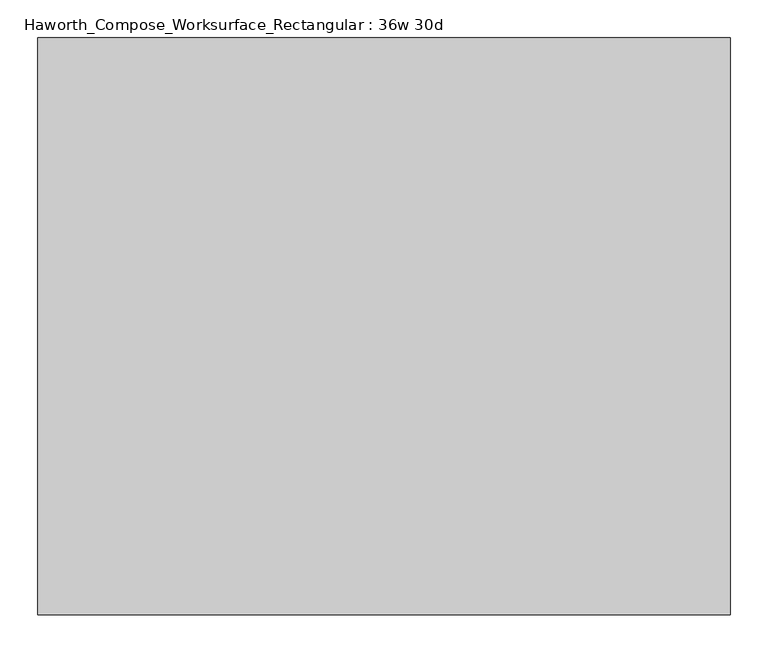
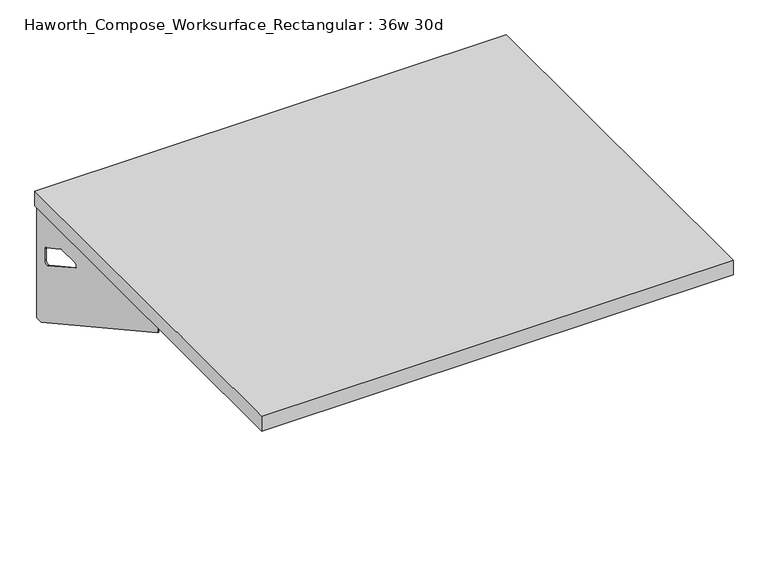
"""IFC4 building model written with IfcOpenShell, lengths in millimetres: furniture geometry, Haworth_Compose_Worksurface_Rectangular : 36w 30d."""

from ifc_helpers import new_model, si_unit, frame, origin, place, context, project, spatial, polyline, circle_curve, outline, extrude, source, transform, mapped, element, save
from ifc_brep_helpers import plane_surface, revolved_surface, advanced_brep


def haworth_compose_worksurface_rectangular_36w_30d_c0b6aa6a(model_context):
    return source(origin(), model_context, "Body", "SolidModel", [
        advanced_brep(
        [(451.64375, 381.0, 475.45625), (451.64375, 365.125, 475.45625), (451.64375, -25.4, 691.7192568), (451.64375, -25.4, 704.05625), (451.64375, 365.125, 704.05625), (451.64375, 381.0, 704.05625), (451.64375, 297.690072, 665.95625), (451.64375, 254.0355284, 665.95625), (451.64375, 251.3564235, 656.3705539), (451.64375, 343.0776173, 605.5776439), (451.64375, 352.425, 611.1756969), (451.64375, 352.425, 634.6860246), (451.64375, 350.6730055, 637.5242776), (451.64375, 300.7663437, 665.1613425), (454.025, 381.0, 475.45625), (454.025, 381.0, 704.05625), (454.025, 365.125, 704.05625), (454.025, 365.125, 706.4375), (454.025, -25.4, 706.4375), (454.025, -25.4, 691.7192568), (454.025, 365.125, 475.45625), (454.025, 297.690072, 665.95625), (454.025, 300.7663437, 665.1613425), (454.025, 350.6730055, 637.5242776), (454.025, 352.425, 634.6860246), (454.025, 352.425, 611.1756969), (454.025, 343.0776173, 605.5776439), (454.025, 251.3564235, 656.3705539), (454.025, 254.0355284, 665.95625), (412.75, -25.4, 706.4375), (412.75, -25.4, 704.05625), (412.75, 365.125, 704.05625), (412.75, 365.125, 706.4375)],
        [
            (0, 1),
            (1, 2),
            (2, 3),
            (3, 4),
            (4, 5),
            (5, 0),
            (6, 7),
            (7, 8, circle_curve(frame((451.64375, 254.0355284, 660.7890106), z_axis=(1.0, 0.0, 0.0), x_axis=(0.0, -1.0, 0.0)), 5.1672394)),
            (8, 9),
            (9, 10, circle_curve(frame((451.64375, 346.075, 611.1756969), z_axis=(1.0, 0.0, 0.0), x_axis=(0.0, -1.0, 0.0)), 6.35)),
            (10, 11),
            (11, 12, circle_curve(frame((451.64375, 349.25, 634.6860246), z_axis=(1.0, 0.0, 0.0), x_axis=(0.0, -1.0, 0.0)), 3.175)),
            (12, 13),
            (13, 6, circle_curve(frame((451.64375, 297.690072, 659.60625), z_axis=(1.0, 0.0, 0.0), x_axis=(0.0, -1.0, 0.0)), 6.35)),
            (14, 15),
            (15, 16),
            (16, 17),
            (17, 18),
            (18, 19),
            (19, 20),
            (20, 14),
            (21, 22, circle_curve(frame((454.025, 297.690072, 659.60625), z_axis=(-1.0, 0.0, 0.0), x_axis=(0.0, -1.0, 0.0)), 6.35)),
            (22, 23),
            (23, 24, circle_curve(frame((454.025, 349.25, 634.6860246), z_axis=(-1.0, 0.0, 0.0), x_axis=(0.0, -1.0, 0.0)), 3.175)),
            (24, 25),
            (25, 26, circle_curve(frame((454.025, 346.075, 611.1756969), z_axis=(-1.0, 0.0, 0.0), x_axis=(0.0, -1.0, 0.0)), 6.35)),
            (26, 27),
            (27, 28, circle_curve(frame((454.025, 254.0355284, 660.7890106), z_axis=(-1.0, 0.0, 0.0), x_axis=(0.0, -1.0, 0.0)), 5.1672394)),
            (28, 21),
            (4, 16),
            (15, 5),
            (14, 0),
            (20, 1),
            (19, 2),
            (18, 29),
            (29, 30),
            (30, 3),
            (6, 21),
            (28, 7),
            (9, 26),
            (25, 10),
            (24, 11),
            (23, 12),
            (27, 8),
            (31, 4),
            (30, 31),
            (32, 29),
            (17, 32),
            (31, 32),
            (22, 13),
        ],
        [
            plane_surface(frame((451.64375, 381.0, 475.45625), z_axis=(-1.0, 0.0, 0.0), x_axis=(0.0, 1.0, 0.0))),
            plane_surface(frame((454.025, 381.0, 475.45625), z_axis=(1.0, 0.0, 0.0), x_axis=(0.0, -1.0, 0.0))),
            plane_surface(frame((454.025, -25.4, 704.05625), z_axis=(0.0, 0.0, 1.0), x_axis=(-1.0, 0.0, 0.0))),
            plane_surface(frame((454.025, 381.0, 704.05625), z_axis=(0.0, 1.0, 0.0), x_axis=(-1.0, 0.0, 0.0))),
            plane_surface(frame((454.025, 381.0, 475.45625), z_axis=(0.0, 0.0, -1.0), x_axis=(-1.0, 0.0, 0.0))),
            plane_surface(frame((454.025, 365.125, 475.45625), z_axis=(0.0, -0.48445223513455843, -0.8748177135112952), x_axis=(-1.0, 0.0, 0.0))),
            plane_surface(frame((454.025, -25.4, 691.7192568), z_axis=(0.0, -1.0, 0.0), x_axis=(-1.0, 0.0, 0.0))),
            plane_surface(frame((454.025, 297.690072, 665.95625), z_axis=(0.0, 0.0, -1.0), x_axis=(-1.0, 0.0, 0.0))),
            revolved_surface(polyline([(451.64375, 339.72499999999997, 611.1756969), (454.025, 339.72499999999997, 611.1756969)]), (454.025, 346.075, 611.1756969), (-1.0, 0.0, 0.0)),
            plane_surface(frame((454.025, 352.425, 611.1756969), z_axis=(0.0, -1.0, 0.0), x_axis=(-1.0, 0.0, 0.0))),
            revolved_surface(polyline([(451.64375, 346.075, 634.6860246), (454.025, 346.075, 634.6860246)]), (454.025, 349.25, 634.6860246), (-1.0, 0.0, 0.0)),
            revolved_surface(polyline([(451.64375, 248.868289, 660.7890106), (454.025, 248.868289, 660.7890106)]), (454.025, 254.0355284, 660.7890106), (-1.0, 0.0, 0.0)),
            plane_surface(frame((454.025, 365.125, 704.05625), z_axis=(0.0, 0.0, -1.0), x_axis=(-1.0, 0.0, 0.0))),
            plane_surface(frame((454.025, 365.125, 706.4375), z_axis=(0.0, 0.0, 1.0), x_axis=(1.0, 0.0, 0.0))),
            plane_surface(frame((412.75, 365.125, 706.4375), z_axis=(0.0, 1.0, 0.0), x_axis=(0.0, 0.0, -1.0))),
            plane_surface(frame((412.75, -25.4, 706.4375), z_axis=(-1.0, 0.0, 0.0), x_axis=(0.0, 0.0, -1.0))),
            plane_surface(frame((454.025, 251.3564235, 656.3705539), z_axis=(0.0, 0.4844522351345583, 0.8748177135112953), x_axis=(-1.0, 0.0, 0.0))),
            plane_surface(frame((454.025, 350.6730055, 637.5242776), z_axis=(0.0, -0.4844522351345582, -0.8748177135112953), x_axis=(-1.0, 0.0, 0.0))),
            revolved_surface(polyline([(451.64375, 291.34007199999996, 659.60625), (454.025, 291.34007199999996, 659.60625)]), (454.025, 297.690072, 659.60625), (-1.0, 0.0, 0.0)),
        ],
        [
            (0, [[1, 2, 3, 4, 5, 6], [7, 8, 9, 10, 11, 12, 13, 14]]),
            (1, [[15, 16, 17, 18, 19, 20, 21], [22, 23, 24, 25, 26, 27, 28, 29]]),
            (2, [[-5, 30, -16, 31]]),
            (3, [[-31, -15, 32, -6]]),
            (4, [[-32, -21, 33, -1]]),
            (5, [[-33, -20, 34, -2]]),
            (6, [[-34, -19, 35, 36, 37, -3]]),
            (7, [[38, -29, 39, -7]]),
            (8, [[40, -26, 41, -10]]),
            (9, [[-41, -25, 42, -11]]),
            (10, [[-42, -24, 43, -12]]),
            (11, [[-39, -28, 44, -8]]),
            (12, [[45, -4, -37, 46]]),
            (13, [[47, -35, -18, 48]]),
            (14, [[-17, -30, -45, 49, -48]]),
            (15, [[-36, -47, -49, -46]]),
            (16, [[-44, -27, -40, -9]]),
            (17, [[-43, -23, 50, -13]]),
            (18, [[-50, -22, -38, -14]]),
        ],
    ),
        advanced_brep(
        [(-451.64375, 381.0, 475.45625), (-451.64375, 381.0, 704.05625), (-451.64375, 365.125, 704.05625), (-451.64375, -25.4, 704.05625), (-451.64375, -25.4, 691.7192568), (-451.64375, 365.125, 475.45625), (-451.64375, 297.690072, 665.95625), (-451.64375, 300.7663437, 665.1613425), (-451.64375, 350.6730055, 637.5242776), (-451.64375, 352.425, 634.6860246), (-451.64375, 352.425, 611.1756969), (-451.64375, 343.0776173, 605.5776439), (-451.64375, 251.3564235, 656.3705539), (-451.64375, 254.0355284, 665.95625), (-454.025, 381.0, 475.45625), (-454.025, 365.125, 475.45625), (-454.025, -25.4, 691.7192568), (-454.025, -25.4, 706.4375), (-454.025, 365.125, 706.4375), (-454.025, 365.125, 704.05625), (-454.025, 381.0, 704.05625), (-454.025, 297.690072, 665.95625), (-454.025, 254.0355284, 665.95625), (-454.025, 251.3564235, 656.3705539), (-454.025, 343.0776173, 605.5776439), (-454.025, 352.425, 611.1756969), (-454.025, 352.425, 634.6860246), (-454.025, 350.6730055, 637.5242776), (-454.025, 300.7663437, 665.1613425), (-412.75, -25.4, 704.05625), (-412.75, -25.4, 706.4375), (-412.75, 365.125, 704.05625), (-412.75, 365.125, 706.4375)],
        [
            (0, 1),
            (1, 2),
            (2, 3),
            (3, 4),
            (4, 5),
            (5, 0),
            (6, 7, circle_curve(frame((-451.64375, 297.690072, 659.60625), z_axis=(-1.0, 0.0, 0.0), x_axis=(0.0, -1.0, 0.0)), 6.35)),
            (7, 8),
            (8, 9, circle_curve(frame((-451.64375, 349.25, 634.6860246), z_axis=(-1.0, 0.0, 0.0), x_axis=(0.0, -1.0, 0.0)), 3.175)),
            (9, 10),
            (10, 11, circle_curve(frame((-451.64375, 346.075, 611.1756969), z_axis=(-1.0, 0.0, 0.0), x_axis=(0.0, -1.0, 0.0)), 6.35)),
            (11, 12),
            (12, 13, circle_curve(frame((-451.64375, 254.0355284, 660.7890106), z_axis=(-1.0, 0.0, 0.0), x_axis=(0.0, -1.0, 0.0)), 5.1672394)),
            (13, 6),
            (14, 15),
            (15, 16),
            (16, 17),
            (17, 18),
            (18, 19),
            (19, 20),
            (20, 14),
            (21, 22),
            (22, 23, circle_curve(frame((-454.025, 254.0355284, 660.7890106), z_axis=(1.0, 0.0, 0.0), x_axis=(0.0, -1.0, 0.0)), 5.1672394)),
            (23, 24),
            (24, 25, circle_curve(frame((-454.025, 346.075, 611.1756969), z_axis=(1.0, 0.0, 0.0), x_axis=(0.0, -1.0, 0.0)), 6.35)),
            (25, 26),
            (26, 27, circle_curve(frame((-454.025, 349.25, 634.6860246), z_axis=(1.0, 0.0, 0.0), x_axis=(0.0, -1.0, 0.0)), 3.175)),
            (27, 28),
            (28, 21, circle_curve(frame((-454.025, 297.690072, 659.60625), z_axis=(1.0, 0.0, 0.0), x_axis=(0.0, -1.0, 0.0)), 6.35)),
            (1, 20),
            (19, 2),
            (0, 14),
            (5, 15),
            (4, 16),
            (3, 29),
            (29, 30),
            (30, 17),
            (13, 22),
            (21, 6),
            (10, 25),
            (24, 11),
            (9, 26),
            (8, 27),
            (12, 23),
            (31, 29),
            (2, 31),
            (32, 18),
            (30, 32),
            (32, 31),
            (7, 28),
        ],
        [
            plane_surface(frame((-451.64375, 381.0, 475.45625), z_axis=(1.0, 0.0, 0.0), x_axis=(0.0, 1.0, 0.0))),
            plane_surface(frame((-454.025, 381.0, 475.45625), z_axis=(-1.0, 0.0, 0.0), x_axis=(0.0, -1.0, 0.0))),
            plane_surface(frame((-454.025, -25.4, 704.05625), z_axis=(0.0, 0.0, 1.0), x_axis=(1.0, 0.0, 0.0))),
            plane_surface(frame((-454.025, 381.0, 704.05625), z_axis=(0.0, 1.0, 0.0), x_axis=(1.0, 0.0, 0.0))),
            plane_surface(frame((-454.025, 381.0, 475.45625), z_axis=(0.0, 0.0, -1.0), x_axis=(1.0, 0.0, 0.0))),
            plane_surface(frame((-454.025, 365.125, 475.45625), z_axis=(0.0, -0.48445223513455843, -0.8748177135112952), x_axis=(1.0, 0.0, 0.0))),
            plane_surface(frame((-454.025, -25.4, 691.7192568), z_axis=(0.0, -1.0, 0.0), x_axis=(1.0, 0.0, 0.0))),
            plane_surface(frame((-454.025, 297.690072, 665.95625), z_axis=(0.0, 0.0, -1.0), x_axis=(1.0, 0.0, 0.0))),
            revolved_surface(polyline([(-451.64375, 339.72499999999997, 611.1756969), (-454.025, 339.72499999999997, 611.1756969)]), (-454.025, 346.075, 611.1756969), (1.0, 0.0, 0.0)),
            plane_surface(frame((-454.025, 352.425, 611.1756969), z_axis=(0.0, -1.0, 0.0), x_axis=(1.0, 0.0, 0.0))),
            revolved_surface(polyline([(-451.64375, 346.075, 634.6860246), (-454.025, 346.075, 634.6860246)]), (-454.025, 349.25, 634.6860246), (1.0, 0.0, 0.0)),
            revolved_surface(polyline([(-451.64375, 248.868289, 660.7890106), (-454.025, 248.868289, 660.7890106)]), (-454.025, 254.0355284, 660.7890106), (1.0, 0.0, 0.0)),
            plane_surface(frame((-454.025, 365.125, 704.05625), z_axis=(0.0, 0.0, -1.0), x_axis=(1.0, 0.0, 0.0))),
            plane_surface(frame((-454.025, 365.125, 706.4375), z_axis=(0.0, 0.0, 1.0), x_axis=(-1.0, 0.0, 0.0))),
            plane_surface(frame((-412.75, 365.125, 706.4375), z_axis=(0.0, 1.0, 0.0), x_axis=(0.0, 0.0, -1.0))),
            plane_surface(frame((-412.75, -25.4, 706.4375), z_axis=(1.0, 0.0, 0.0), x_axis=(0.0, 0.0, -1.0))),
            plane_surface(frame((-454.025, 251.3564235, 656.3705539), z_axis=(0.0, 0.4844522351345583, 0.8748177135112953), x_axis=(1.0, 0.0, 0.0))),
            plane_surface(frame((-454.025, 350.6730055, 637.5242776), z_axis=(0.0, -0.4844522351345582, -0.8748177135112953), x_axis=(1.0, 0.0, 0.0))),
            revolved_surface(polyline([(-451.64375, 291.34007199999996, 659.60625), (-454.025, 291.34007199999996, 659.60625)]), (-454.025, 297.690072, 659.60625), (1.0, 0.0, 0.0)),
        ],
        [
            (0, [[1, 2, 3, 4, 5, 6], [7, 8, 9, 10, 11, 12, 13, 14]]),
            (1, [[15, 16, 17, 18, 19, 20, 21], [22, 23, 24, 25, 26, 27, 28, 29]]),
            (2, [[30, -20, 31, -2]]),
            (3, [[-1, 32, -21, -30]]),
            (4, [[-6, 33, -15, -32]]),
            (5, [[-5, 34, -16, -33]]),
            (6, [[-4, 35, 36, 37, -17, -34]]),
            (7, [[-14, 38, -22, 39]]),
            (8, [[-11, 40, -25, 41]]),
            (9, [[-10, 42, -26, -40]]),
            (10, [[-9, 43, -27, -42]]),
            (11, [[-13, 44, -23, -38]]),
            (12, [[45, -35, -3, 46]]),
            (13, [[47, -18, -37, 48]]),
            (14, [[-47, 49, -46, -31, -19]]),
            (15, [[-45, -49, -48, -36]]),
            (16, [[-12, -41, -24, -44]]),
            (17, [[-8, 50, -28, -43]]),
            (18, [[-7, -39, -29, -50]]),
        ],
    ),
        extrude(outline(polyline([(457.2, 381.0), (457.2, -381.0), (-457.2, -381.0), (-457.2, 381.0), (457.2, 381.0)])), frame((0.0, 0.0, 706.4375), z_axis=(0.0, 0.0, 1.0), x_axis=(1.0, 0.0, 0.0)), (0.0, 0.0, 1.0), 30.1625),
    ])


if __name__ == "__main__":
    model = new_model("IFC4")
    model_context = context("Model", 3, world=origin())
    ifc_project = project(units=[si_unit("LENGTHUNIT", "METRE", prefix="MILLI")], contexts=[model_context])
    site = spatial("IfcSite", under=ifc_project)
    building = spatial("IfcBuilding", under=site)
    placement = place(None, origin())
    haworth_compose_worksurface_rectangular_36w_30d_shape = haworth_compose_worksurface_rectangular_36w_30d_c0b6aa6a(model_context)
    element("IfcFurniture", 1, ObjectType="Haworth_Compose_Worksurface_Rectangular : 36w 30d", at=placement, inside=building, context=model_context, shape_type="MappedRepresentation", body=[
        mapped(haworth_compose_worksurface_rectangular_36w_30d_shape, transform((0.0, 0.0, 0.0), x_axis=(1.0, 0.0, 0.0), y_axis=(0.0, 1.0, 0.0), z_axis=(0.0, 0.0, 1.0))),
    ])
    save(model, "model.ifc")
